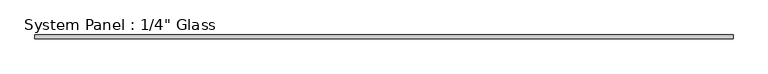
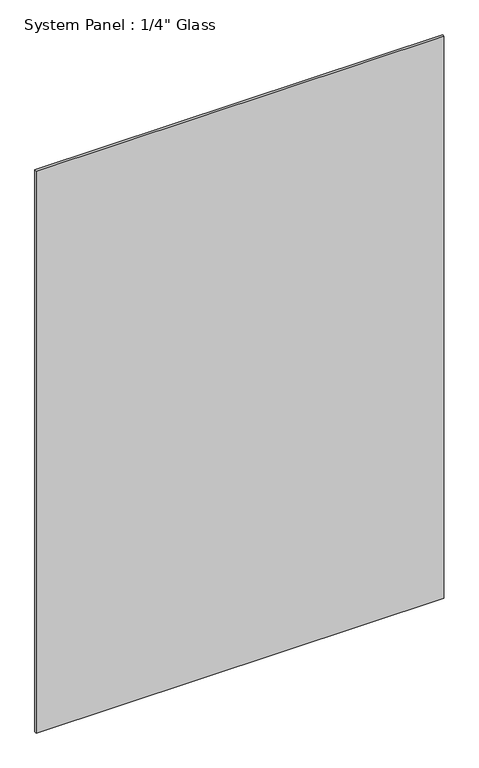
"""IFC4 building model written with IfcOpenShell, lengths in millimetres: plate geometry."""

from ifc_helpers import new_model, si_unit, origin, origin_with_axes, place, context, project, spatial, polyline, outline, extrude, source, transform, mapped, element, save


def plate_db2b9ce1(model_context):
    return source(origin(), model_context, "Body", "SweptSolid", [
        extrude(outline(polyline([(596.9, -3.175), (-596.9, -3.175), (-596.9, 3.175), (596.9, 3.175), (596.9, -3.175)])), origin_with_axes(), (0.0, 0.0, 1.0), 1739.9),
    ])


if __name__ == "__main__":
    model = new_model("IFC4")
    model_context = context("Model", 3, world=origin())
    ifc_project = project(units=[si_unit("LENGTHUNIT", "METRE", prefix="MILLI")], contexts=[model_context])
    site = spatial("IfcSite", under=ifc_project)
    building = spatial("IfcBuilding", under=site)
    placement = place(None, origin())
    plate_shape = plate_db2b9ce1(model_context)
    element("IfcPlate", 1, ObjectType="System Panel : 1/4\" Glass", at=placement, inside=building, context=model_context, shape_type="MappedRepresentation", body=[
        mapped(plate_shape, transform((0.0, 0.0, 0.0), x_axis=(1.0, 0.0, 0.0), y_axis=(0.0, 1.0, 0.0), z_axis=(0.0, 0.0, 1.0))),
    ])
    save(model, "model.ifc")
